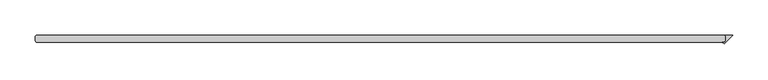
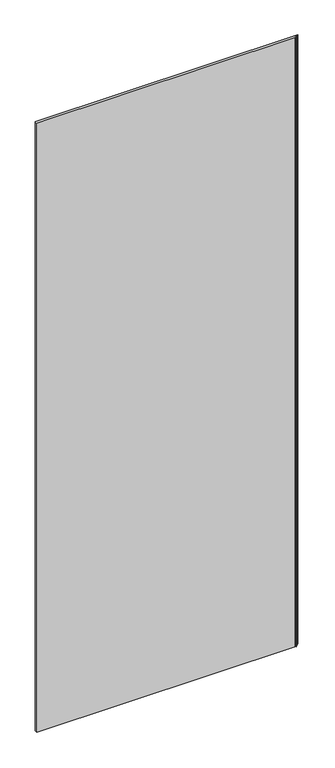
"""IFC4 building model written with IfcOpenShell, lengths in millimetres: plate geometry."""

from ifc_helpers import new_model, si_unit, origin, origin_with_axes, place, context, project, spatial, polyline, outline, extrude, source, transform, mapped, element, save


def plate_9d2a307d(model_context):
    return source(origin(), model_context, "Body", "SweptSolid", [
        extrude(outline(polyline([(501.253125, 33.3375), (499.665625, 34.925), (510.778125, 34.925), (498.543093, 22.689968), (495.833061, 25.4), (499.665625, 25.4), (501.253125, 26.9875), (501.253125, 33.3375)])), origin_with_axes(), (0.0, 0.0, 1.0), 2417.075),
        extrude(outline(polyline([(499.665625, 34.925), (501.253125, 33.3375), (501.253125, 26.9875), (499.665625, 25.4), (-474.265625, 25.4), (-475.853125, 26.9875), (-475.853125, 33.3375), (-474.265625, 34.925), (499.665625, 34.925)])), origin_with_axes(), (0.0, 0.0, 1.0), 2417.075),
    ])


if __name__ == "__main__":
    model = new_model("IFC4")
    model_context = context("Model", 3, world=origin())
    ifc_project = project(units=[si_unit("LENGTHUNIT", "METRE", prefix="MILLI")], contexts=[model_context])
    site = spatial("IfcSite", under=ifc_project)
    building = spatial("IfcBuilding", under=site)
    placement = place(None, origin())
    plate_shape = plate_9d2a307d(model_context)
    element("IfcPlate", 1, at=placement, inside=building, context=model_context, shape_type="MappedRepresentation", body=[
        mapped(plate_shape, transform((0.0, 0.0, 0.0), x_axis=(1.0, 0.0, 0.0), y_axis=(0.0, 1.0, 0.0), z_axis=(0.0, 0.0, 1.0))),
    ])
    save(model, "model.ifc")
